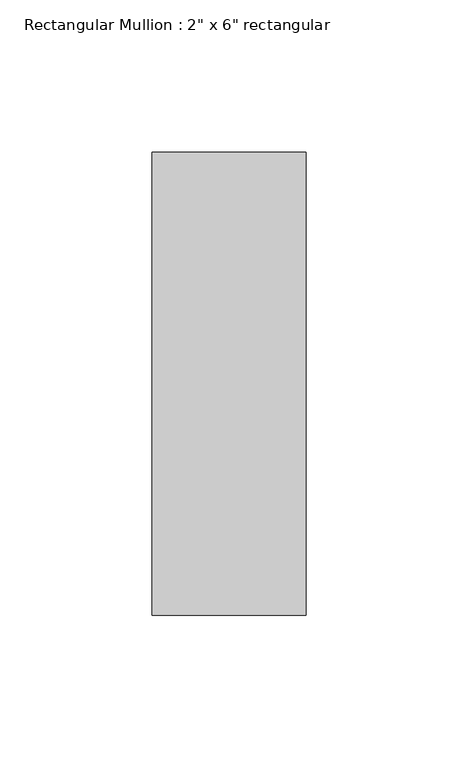
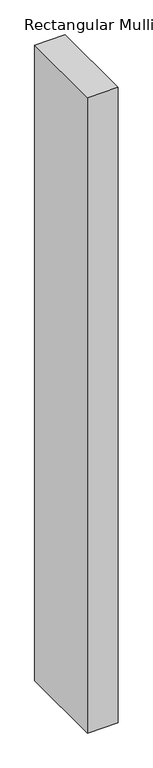
"""IFC4 building model written with IfcOpenShell, lengths in millimetres: member geometry."""

from ifc_helpers import new_model, si_unit, frame, origin, place, context, project, spatial, polyline, outline, extrude, source, transform, mapped, element, save


def member_ac1bc8fd(model_context):
    return source(origin(), model_context, "Body", "SweptSolid", [
        extrude(outline(polyline([(25.4, 76.2), (25.4, -76.2), (-25.4, -76.2), (-25.4, 76.2), (25.4, 76.2)])), frame((0.0, 0.0, -1117.6), z_axis=(0.0, 0.0, 1.0), x_axis=(1.0, 0.0, 0.0)), (0.0, 0.0, 1.0), 1117.6),
    ])


if __name__ == "__main__":
    model = new_model("IFC4")
    model_context = context("Model", 3, world=origin())
    ifc_project = project(units=[si_unit("LENGTHUNIT", "METRE", prefix="MILLI")], contexts=[model_context])
    site = spatial("IfcSite", under=ifc_project)
    building = spatial("IfcBuilding", under=site)
    placement = place(None, origin())
    member_shape = member_ac1bc8fd(model_context)
    element("IfcMember", 1, ObjectType="Rectangular Mullion : 2\" x 6\" rectangular", at=placement, inside=building, context=model_context, shape_type="MappedRepresentation", body=[
        mapped(member_shape, transform((0.0, 0.0, 0.0), x_axis=(1.0, 0.0, 0.0), y_axis=(0.0, 1.0, 0.0), z_axis=(0.0, 0.0, 1.0))),
    ])
    save(model, "model.ifc")
